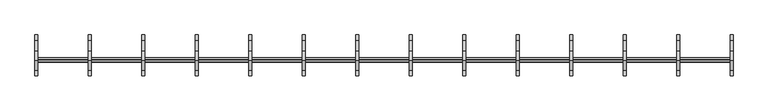
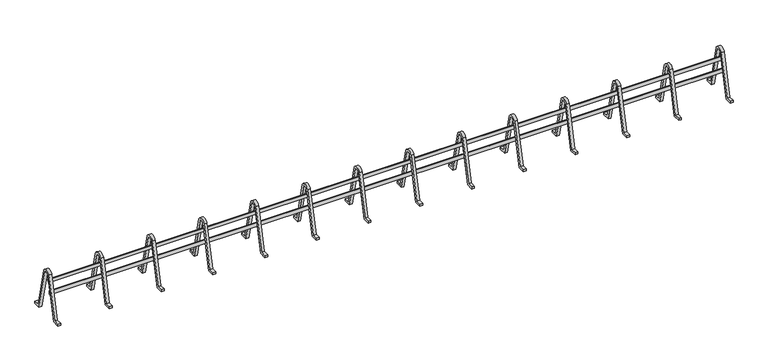
"""IFC4 building model written with IfcOpenShell, lengths in millimetres: proxy geometry."""

from ifc_helpers import new_model, si_unit, point, frame, frame_2d, origin, place, context, project, spatial, polyline, circle_curve, trimmed, segment, composite_curve, outline, extrude, source, transform, mapped, element, save


def generic_models_2573dc17(model_context):
    return source(origin(), model_context, "Body", "SweptSolid", [
        extrude(outline(composite_curve([segment(polyline([(-180.0, 4123.0), (-280.0, 4123.0), (-280.0, 4153.0), (-203.8009495, 4153.0), (-64.2870387, 4750.376223)]), True, "CONTINUOUS"), segment(trimmed(circle_curve(frame_2d((0.0, 4723.0)), 69.8733206), [point((-64.2870387, 4750.376223))], [point((64.2870387, 4750.376223))], False, "CARTESIAN"), True, "CONTINUOUS"), segment(polyline([(64.2870387, 4750.376223), (203.8009495, 4153.0), (280.0, 4153.0), (280.0, 4123.0), (180.0, 4123.0), (35.7486691, 4740.6610972)]), True, "CONTINUOUS"), segment(trimmed(circle_curve(frame_2d((0.0, 4723.0)), 39.8733206), [point((35.7486691, 4740.6610972))], [point((-35.7486691, 4740.6610972))], True, "CARTESIAN"), True, "CONTINUOUS"), segment(polyline([(-35.7486691, 4740.6610972), (-180.0, 4123.0)]), True, "CONTINUOUS")], self_intersect=False)), frame((4113.1006746, 0.0, 0.0), z_axis=(1.0, 0.0, 0.0), x_axis=(0.0, 1.0, 0.0)), (0.0, 0.0, 1.0), 40.0),
        extrude(outline(composite_curve([segment(polyline([(-180.0, 4123.0), (-280.0, 4123.0), (-280.0, 4153.0), (-203.8009495, 4153.0), (-64.2870387, 4750.376223)]), True, "CONTINUOUS"), segment(trimmed(circle_curve(frame_2d((0.0, 4723.0)), 69.8733206), [point((-64.2870387, 4750.376223))], [point((64.2870387, 4750.376223))], False, "CARTESIAN"), True, "CONTINUOUS"), segment(polyline([(64.2870387, 4750.376223), (203.8009495, 4153.0), (280.0, 4153.0), (280.0, 4123.0), (180.0, 4123.0), (35.7486691, 4740.6610972)]), True, "CONTINUOUS"), segment(trimmed(circle_curve(frame_2d((0.0, 4723.0)), 39.8733206), [point((35.7486691, 4740.6610972))], [point((-35.7486691, 4740.6610972))], True, "CARTESIAN"), True, "CONTINUOUS"), segment(polyline([(-35.7486691, 4740.6610972), (-180.0, 4123.0)]), True, "CONTINUOUS")], self_intersect=False)), frame((3381.3699054, 0.0, 0.0), z_axis=(1.0, 0.0, 0.0), x_axis=(0.0, 1.0, 0.0)), (0.0, 0.0, 1.0), 40.0),
        extrude(outline(composite_curve([segment(polyline([(-180.0, 4123.0), (-280.0, 4123.0), (-280.0, 4153.0), (-203.8009495, 4153.0), (-64.2870387, 4750.376223)]), True, "CONTINUOUS"), segment(trimmed(circle_curve(frame_2d((0.0, 4723.0)), 69.8733206), [point((-64.2870387, 4750.376223))], [point((64.2870387, 4750.376223))], False, "CARTESIAN"), True, "CONTINUOUS"), segment(polyline([(64.2870387, 4750.376223), (203.8009495, 4153.0), (280.0, 4153.0), (280.0, 4123.0), (180.0, 4123.0), (35.7486691, 4740.6610972)]), True, "CONTINUOUS"), segment(trimmed(circle_curve(frame_2d((0.0, 4723.0)), 39.8733206), [point((35.7486691, 4740.6610972))], [point((-35.7486691, 4740.6610972))], True, "CARTESIAN"), True, "CONTINUOUS"), segment(polyline([(-35.7486691, 4740.6610972), (-180.0, 4123.0)]), True, "CONTINUOUS")], self_intersect=False)), frame((2649.6391361, 0.0, 0.0), z_axis=(1.0, 0.0, 0.0), x_axis=(0.0, 1.0, 0.0)), (0.0, 0.0, 1.0), 40.0),
        extrude(outline(composite_curve([segment(polyline([(-180.0, 4123.0), (-280.0, 4123.0), (-280.0, 4153.0), (-203.8009495, 4153.0), (-64.2870387, 4750.376223)]), True, "CONTINUOUS"), segment(trimmed(circle_curve(frame_2d((0.0, 4723.0)), 69.8733206), [point((-64.2870387, 4750.376223))], [point((64.2870387, 4750.376223))], False, "CARTESIAN"), True, "CONTINUOUS"), segment(polyline([(64.2870387, 4750.376223), (203.8009495, 4153.0), (280.0, 4153.0), (280.0, 4123.0), (180.0, 4123.0), (35.7486691, 4740.6610972)]), True, "CONTINUOUS"), segment(trimmed(circle_curve(frame_2d((0.0, 4723.0)), 39.8733206), [point((35.7486691, 4740.6610972))], [point((-35.7486691, 4740.6610972))], True, "CARTESIAN"), True, "CONTINUOUS"), segment(polyline([(-35.7486691, 4740.6610972), (-180.0, 4123.0)]), True, "CONTINUOUS")], self_intersect=False)), frame((1917.9083669, 0.0, 0.0), z_axis=(1.0, 0.0, 0.0), x_axis=(0.0, 1.0, 0.0)), (0.0, 0.0, 1.0), 40.0),
        extrude(outline(composite_curve([segment(polyline([(-180.0, 4123.0), (-280.0, 4123.0), (-280.0, 4153.0), (-203.8009495, 4153.0), (-64.2870387, 4750.376223)]), True, "CONTINUOUS"), segment(trimmed(circle_curve(frame_2d((0.0, 4723.0)), 69.8733206), [point((-64.2870387, 4750.376223))], [point((64.2870387, 4750.376223))], False, "CARTESIAN"), True, "CONTINUOUS"), segment(polyline([(64.2870387, 4750.376223), (203.8009495, 4153.0), (280.0, 4153.0), (280.0, 4123.0), (180.0, 4123.0), (35.7486691, 4740.6610972)]), True, "CONTINUOUS"), segment(trimmed(circle_curve(frame_2d((0.0, 4723.0)), 39.8733206), [point((35.7486691, 4740.6610972))], [point((-35.7486691, 4740.6610972))], True, "CARTESIAN"), True, "CONTINUOUS"), segment(polyline([(-35.7486691, 4740.6610972), (-180.0, 4123.0)]), True, "CONTINUOUS")], self_intersect=False)), frame((1186.1775977, 0.0, 0.0), z_axis=(1.0, 0.0, 0.0), x_axis=(0.0, 1.0, 0.0)), (0.0, 0.0, 1.0), 40.0),
        extrude(outline(composite_curve([segment(polyline([(-180.0, 4123.0), (-280.0, 4123.0), (-280.0, 4153.0), (-203.8009495, 4153.0), (-64.2870387, 4750.376223)]), True, "CONTINUOUS"), segment(trimmed(circle_curve(frame_2d((0.0, 4723.0)), 69.8733206), [point((-64.2870387, 4750.376223))], [point((64.2870387, 4750.376223))], False, "CARTESIAN"), True, "CONTINUOUS"), segment(polyline([(64.2870387, 4750.376223), (203.8009495, 4153.0), (280.0, 4153.0), (280.0, 4123.0), (180.0, 4123.0), (35.7486691, 4740.6610972)]), True, "CONTINUOUS"), segment(trimmed(circle_curve(frame_2d((0.0, 4723.0)), 39.8733206), [point((35.7486691, 4740.6610972))], [point((-35.7486691, 4740.6610972))], True, "CARTESIAN"), True, "CONTINUOUS"), segment(polyline([(-35.7486691, 4740.6610972), (-180.0, 4123.0)]), True, "CONTINUOUS")], self_intersect=False)), frame((454.4468284, 0.0, 0.0), z_axis=(1.0, 0.0, 0.0), x_axis=(0.0, 1.0, 0.0)), (0.0, 0.0, 1.0), 40.0),
        extrude(outline(composite_curve([segment(polyline([(-180.0, 4123.0), (-280.0, 4123.0), (-280.0, 4153.0), (-203.8009495, 4153.0), (-64.2870387, 4750.376223)]), True, "CONTINUOUS"), segment(trimmed(circle_curve(frame_2d((0.0, 4723.0)), 69.8733206), [point((-64.2870387, 4750.376223))], [point((64.2870387, 4750.376223))], False, "CARTESIAN"), True, "CONTINUOUS"), segment(polyline([(64.2870387, 4750.376223), (203.8009495, 4153.0), (280.0, 4153.0), (280.0, 4123.0), (180.0, 4123.0), (35.7486691, 4740.6610972)]), True, "CONTINUOUS"), segment(trimmed(circle_curve(frame_2d((0.0, 4723.0)), 39.8733206), [point((35.7486691, 4740.6610972))], [point((-35.7486691, 4740.6610972))], True, "CARTESIAN"), True, "CONTINUOUS"), segment(polyline([(-35.7486691, 4740.6610972), (-180.0, 4123.0)]), True, "CONTINUOUS")], self_intersect=False)), frame((-277.2839408, 0.0, 0.0), z_axis=(1.0, 0.0, 0.0), x_axis=(0.0, 1.0, 0.0)), (0.0, 0.0, 1.0), 40.0),
        extrude(outline(composite_curve([segment(polyline([(-180.0, 4123.0), (-280.0, 4123.0), (-280.0, 4153.0), (-203.8009495, 4153.0), (-64.2870387, 4750.376223)]), True, "CONTINUOUS"), segment(trimmed(circle_curve(frame_2d((0.0, 4723.0)), 69.8733206), [point((-64.2870387, 4750.376223))], [point((64.2870387, 4750.376223))], False, "CARTESIAN"), True, "CONTINUOUS"), segment(polyline([(64.2870387, 4750.376223), (203.8009495, 4153.0), (280.0, 4153.0), (280.0, 4123.0), (180.0, 4123.0), (35.7486691, 4740.6610972)]), True, "CONTINUOUS"), segment(trimmed(circle_curve(frame_2d((0.0, 4723.0)), 39.8733206), [point((35.7486691, 4740.6610972))], [point((-35.7486691, 4740.6610972))], True, "CARTESIAN"), True, "CONTINUOUS"), segment(polyline([(-35.7486691, 4740.6610972), (-180.0, 4123.0)]), True, "CONTINUOUS")], self_intersect=False)), frame((-1009.01471, 0.0, 0.0), z_axis=(1.0, 0.0, 0.0), x_axis=(0.0, 1.0, 0.0)), (0.0, 0.0, 1.0), 40.0),
        extrude(outline(polyline([(0.0, 20.0), (9552.5, 20.0), (9552.5, 0.0), (0.0, 0.0), (0.0, 20.0)])), frame((4884.8314438, -40.7916038, 4631.1268223), z_axis=(0.0, 0.22742459502664225, 0.9737956939609909), x_axis=(-1.0, 0.0, 0.0)), (0.0, 0.0, 1.0), 45.0),
        extrude(outline(polyline([(0.0, 20.0), (9552.5, 20.0), (9552.5, 0.0), (0.0, 0.0), (0.0, 20.0)])), frame((4884.8314438, -77.179539, 4475.3195112), z_axis=(0.0, 0.22742459502664156, 0.973795693960991), x_axis=(-1.0, 0.0, 0.0)), (0.0, 0.0, 1.0), 45.0),
        extrude(outline(composite_curve([segment(polyline([(-180.0, 4123.0), (-280.0, 4123.0), (-280.0, 4153.0), (-203.8009495, 4153.0), (-64.2870387, 4750.376223)]), True, "CONTINUOUS"), segment(trimmed(circle_curve(frame_2d((0.0, 4723.0)), 69.8733206), [point((-64.2870387, 4750.376223))], [point((64.2870387, 4750.376223))], False, "CARTESIAN"), True, "CONTINUOUS"), segment(polyline([(64.2870387, 4750.376223), (203.8009495, 4153.0), (280.0, 4153.0), (280.0, 4123.0), (180.0, 4123.0), (35.7486691, 4740.6610972)]), True, "CONTINUOUS"), segment(trimmed(circle_curve(frame_2d((0.0, 4723.0)), 39.8733206), [point((35.7486691, 4740.6610972))], [point((-35.7486691, 4740.6610972))], True, "CARTESIAN"), True, "CONTINUOUS"), segment(polyline([(-35.7486691, 4740.6610972), (-180.0, 4123.0)]), True, "CONTINUOUS")], self_intersect=False)), frame((-1740.7454792, 0.0, 0.0), z_axis=(1.0, 0.0, 0.0), x_axis=(0.0, 1.0, 0.0)), (0.0, 0.0, 1.0), 40.0),
        extrude(outline(composite_curve([segment(polyline([(-180.0, 4123.0), (-280.0, 4123.0), (-280.0, 4153.0), (-203.8009495, 4153.0), (-64.2870387, 4750.376223)]), True, "CONTINUOUS"), segment(trimmed(circle_curve(frame_2d((0.0, 4723.0)), 69.8733206), [point((-64.2870387, 4750.376223))], [point((64.2870387, 4750.376223))], False, "CARTESIAN"), True, "CONTINUOUS"), segment(polyline([(64.2870387, 4750.376223), (203.8009495, 4153.0), (280.0, 4153.0), (280.0, 4123.0), (180.0, 4123.0), (35.7486691, 4740.6610972)]), True, "CONTINUOUS"), segment(trimmed(circle_curve(frame_2d((0.0, 4723.0)), 39.8733206), [point((35.7486691, 4740.6610972))], [point((-35.7486691, 4740.6610972))], True, "CARTESIAN"), True, "CONTINUOUS"), segment(polyline([(-35.7486691, 4740.6610972), (-180.0, 4123.0)]), True, "CONTINUOUS")], self_intersect=False)), frame((-2472.4762485, 0.0, 0.0), z_axis=(1.0, 0.0, 0.0), x_axis=(0.0, 1.0, 0.0)), (0.0, 0.0, 1.0), 40.0),
        extrude(outline(composite_curve([segment(polyline([(-180.0, 4123.0), (-280.0, 4123.0), (-280.0, 4153.0), (-203.8009495, 4153.0), (-64.2870387, 4750.376223)]), True, "CONTINUOUS"), segment(trimmed(circle_curve(frame_2d((0.0, 4723.0)), 69.8733206), [point((-64.2870387, 4750.376223))], [point((64.2870387, 4750.376223))], False, "CARTESIAN"), True, "CONTINUOUS"), segment(polyline([(64.2870387, 4750.376223), (203.8009495, 4153.0), (280.0, 4153.0), (280.0, 4123.0), (180.0, 4123.0), (35.7486691, 4740.6610972)]), True, "CONTINUOUS"), segment(trimmed(circle_curve(frame_2d((0.0, 4723.0)), 39.8733206), [point((35.7486691, 4740.6610972))], [point((-35.7486691, 4740.6610972))], True, "CARTESIAN"), True, "CONTINUOUS"), segment(polyline([(-35.7486691, 4740.6610972), (-180.0, 4123.0)]), True, "CONTINUOUS")], self_intersect=False)), frame((-3204.2070177, 0.0, 0.0), z_axis=(1.0, 0.0, 0.0), x_axis=(0.0, 1.0, 0.0)), (0.0, 0.0, 1.0), 40.0),
        extrude(outline(composite_curve([segment(polyline([(-180.0, 4123.0), (-280.0, 4123.0), (-280.0, 4153.0), (-203.8009495, 4153.0), (-64.2870387, 4750.376223)]), True, "CONTINUOUS"), segment(trimmed(circle_curve(frame_2d((0.0, 4723.0)), 69.8733206), [point((-64.2870387, 4750.376223))], [point((64.2870387, 4750.376223))], False, "CARTESIAN"), True, "CONTINUOUS"), segment(polyline([(64.2870387, 4750.376223), (203.8009495, 4153.0), (280.0, 4153.0), (280.0, 4123.0), (180.0, 4123.0), (35.7486691, 4740.6610972)]), True, "CONTINUOUS"), segment(trimmed(circle_curve(frame_2d((0.0, 4723.0)), 39.8733206), [point((35.7486691, 4740.6610972))], [point((-35.7486691, 4740.6610972))], True, "CARTESIAN"), True, "CONTINUOUS"), segment(polyline([(-35.7486691, 4740.6610972), (-180.0, 4123.0)]), True, "CONTINUOUS")], self_intersect=False)), frame((-3935.9377869, 0.0, 0.0), z_axis=(1.0, 0.0, 0.0), x_axis=(0.0, 1.0, 0.0)), (0.0, 0.0, 1.0), 40.0),
        extrude(outline(composite_curve([segment(polyline([(-180.0, 4123.0), (-280.0, 4123.0), (-280.0, 4153.0), (-203.8009495, 4153.0), (-64.2870387, 4750.376223)]), True, "CONTINUOUS"), segment(trimmed(circle_curve(frame_2d((0.0, 4723.0)), 69.8733206), [point((-64.2870387, 4750.376223))], [point((64.2870387, 4750.376223))], False, "CARTESIAN"), True, "CONTINUOUS"), segment(polyline([(64.2870387, 4750.376223), (203.8009495, 4153.0), (280.0, 4153.0), (280.0, 4123.0), (180.0, 4123.0), (35.7486691, 4740.6610972)]), True, "CONTINUOUS"), segment(trimmed(circle_curve(frame_2d((0.0, 4723.0)), 39.8733206), [point((35.7486691, 4740.6610972))], [point((-35.7486691, 4740.6610972))], True, "CARTESIAN"), True, "CONTINUOUS"), segment(polyline([(-35.7486691, 4740.6610972), (-180.0, 4123.0)]), True, "CONTINUOUS")], self_intersect=False)), frame((4844.8314438, 0.0, 0.0), z_axis=(1.0, 0.0, 0.0), x_axis=(0.0, 1.0, 0.0)), (0.0, 0.0, 1.0), 40.0),
        extrude(outline(composite_curve([segment(polyline([(-180.0, 4123.0), (-280.0, 4123.0), (-280.0, 4153.0), (-203.8009495, 4153.0), (-64.2870387, 4750.376223)]), True, "CONTINUOUS"), segment(trimmed(circle_curve(frame_2d((0.0, 4723.0)), 69.8733206), [point((-64.2870387, 4750.376223))], [point((64.2870387, 4750.376223))], False, "CARTESIAN"), True, "CONTINUOUS"), segment(polyline([(64.2870387, 4750.376223), (203.8009495, 4153.0), (280.0, 4153.0), (280.0, 4123.0), (180.0, 4123.0), (35.7486691, 4740.6610972)]), True, "CONTINUOUS"), segment(trimmed(circle_curve(frame_2d((0.0, 4723.0)), 39.8733206), [point((35.7486691, 4740.6610972))], [point((-35.7486691, 4740.6610972))], True, "CARTESIAN"), True, "CONTINUOUS"), segment(polyline([(-35.7486691, 4740.6610972), (-180.0, 4123.0)]), True, "CONTINUOUS")], self_intersect=False)), frame((-4667.6685562, 0.0, 0.0), z_axis=(1.0, 0.0, 0.0), x_axis=(0.0, 1.0, 0.0)), (0.0, 0.0, 1.0), 40.0),
    ])


if __name__ == "__main__":
    model = new_model("IFC4")
    model_context = context("Model", 3, world=origin())
    ifc_project = project(units=[si_unit("LENGTHUNIT", "METRE", prefix="MILLI")], contexts=[model_context])
    site = spatial("IfcSite", under=ifc_project)
    building = spatial("IfcBuilding", under=site)
    placement = place(None, origin())
    generic_models_shape = generic_models_2573dc17(model_context)
    element("IfcBuildingElementProxy", 1, Name="Generic Models", at=placement, inside=building, context=model_context, shape_type="MappedRepresentation", body=[
        mapped(generic_models_shape, transform((0.0, 0.0, 0.0), x_axis=(1.0, 0.0, 0.0), y_axis=(0.0, 1.0, 0.0), z_axis=(0.0, 0.0, 1.0))),
    ])
    save(model, "model.ifc")
